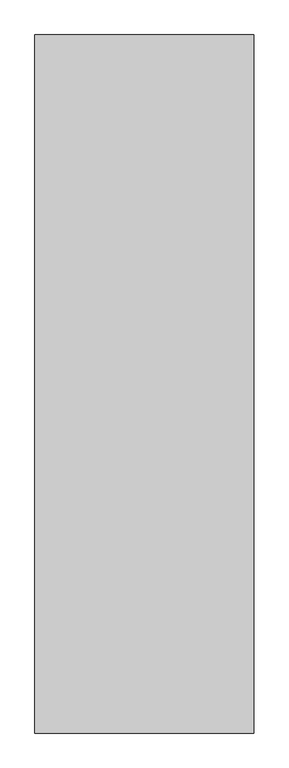
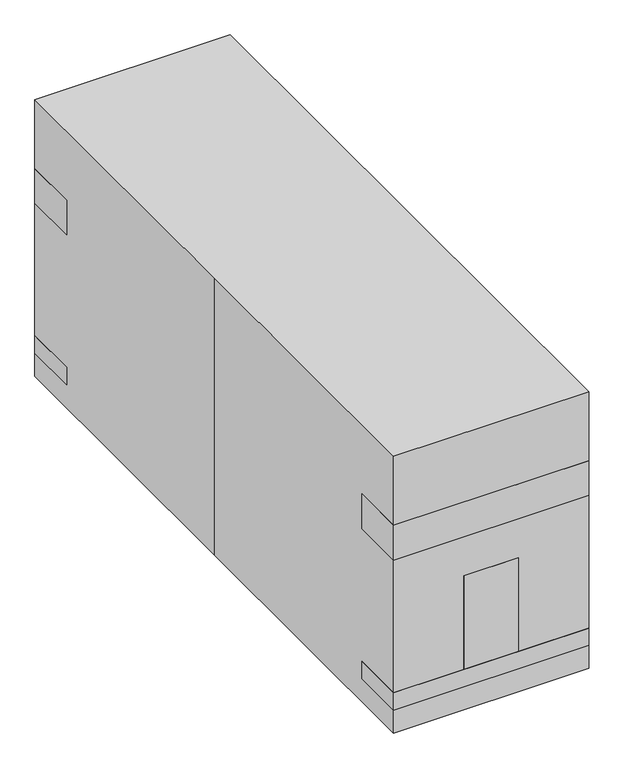
"""IFC4 building model written with IfcOpenShell, lengths in millimetres: proxy geometry."""

from ifc_helpers import new_model, si_unit, point, frame, frame_2d, origin, origin_with_axes, place, context, project, spatial, polyline, circle_curve, trimmed, segment, composite_curve, outline, extrude, source, transform, mapped, element, save


def specialty_equipment_41918cd6(model_context):
    return source(origin(), model_context, "Body", "SweptSolid", [
        extrude(outline(composite_curve([segment(trimmed(circle_curve(frame_2d((-1181.1, 50.8)), 12.7), [point((-1168.4, 50.8))], [point((-1193.8, 50.8))], False, "CARTESIAN"), True, "CONTINUOUS"), segment(trimmed(circle_curve(frame_2d((-1181.1, 50.8)), 12.7), [point((-1193.8, 50.8))], [point((-1168.4, 50.8))], False, "CARTESIAN"), True, "CONTINUOUS")], self_intersect=False)), frame((330.2, 0.0, 0.0), z_axis=(1.0, 0.0, 0.0), x_axis=(0.0, 1.0, 0.0)), (0.0, 0.0, 1.0), 50.8),
        extrude(outline(composite_curve([segment(trimmed(circle_curve(frame_2d((-1181.1, 50.8)), 50.8), [point((-1130.3, 50.8))], [point((-1231.9, 50.8))], False, "CARTESIAN"), True, "CONTINUOUS"), segment(trimmed(circle_curve(frame_2d((-1181.1, 50.8)), 50.8), [point((-1231.9, 50.8))], [point((-1130.3, 50.8))], False, "CARTESIAN"), True, "CONTINUOUS")], self_intersect=False)), frame((342.9, 0.0, 0.0), z_axis=(1.0, 0.0, 0.0), x_axis=(0.0, 1.0, 0.0)), (0.0, 0.0, 1.0), 25.4),
        extrude(outline(polyline([(65.7185546, 381.0), (101.6, 381.0), (101.6, 330.2), (65.7185546, 330.2), (65.7185546, 342.9), (99.6725504, 342.9), (99.6725504, 368.3), (65.7185546, 368.3), (65.7185546, 381.0)])), frame((0.0, -1199.0684951, 0.0), z_axis=(0.0, 1.0, 0.0), x_axis=(0.0, 0.0, 1.0)), (0.0, 0.0, 1.0), 35.6761741),
        extrude(outline(composite_curve([segment(trimmed(circle_curve(frame_2d((-1181.1, 50.8)), 12.7), [point((-1168.4, 50.8))], [point((-1193.8, 50.8))], False, "CARTESIAN"), True, "CONTINUOUS"), segment(trimmed(circle_curve(frame_2d((-1181.1, 50.8)), 12.7), [point((-1193.8, 50.8))], [point((-1168.4, 50.8))], False, "CARTESIAN"), True, "CONTINUOUS")], self_intersect=False)), frame((-381.0, 0.0, 0.0), z_axis=(1.0, 0.0, 0.0), x_axis=(0.0, 1.0, 0.0)), (0.0, 0.0, 1.0), 50.8),
        extrude(outline(composite_curve([segment(trimmed(circle_curve(frame_2d((-1181.1, 50.8)), 50.8), [point((-1130.3, 50.8))], [point((-1231.9, 50.8))], False, "CARTESIAN"), True, "CONTINUOUS"), segment(trimmed(circle_curve(frame_2d((-1181.1, 50.8)), 50.8), [point((-1231.9, 50.8))], [point((-1130.3, 50.8))], False, "CARTESIAN"), True, "CONTINUOUS")], self_intersect=False)), frame((-368.3, 0.0, 0.0), z_axis=(1.0, 0.0, 0.0), x_axis=(0.0, 1.0, 0.0)), (0.0, 0.0, 1.0), 25.4),
        extrude(outline(polyline([(65.7185546, -381.0), (65.7185546, -368.3), (99.6725504, -368.3), (99.6725504, -342.9), (65.7185546, -342.9), (65.7185546, -330.2), (101.6, -330.2), (101.6, -381.0), (65.7185546, -381.0)])), frame((0.0, -1199.0684951, 0.0), z_axis=(0.0, 1.0, 0.0), x_axis=(0.0, 0.0, 1.0)), (0.0, 0.0, 1.0), 35.6761741),
        extrude(outline(polyline([(406.4, -1066.8), (406.4, -1295.4), (-406.4, -1295.4), (-406.4, -1066.8), (406.4, -1066.8)])), frame((0.0, 0.0, 101.6), z_axis=(0.0, 0.0, 1.0), x_axis=(1.0, 0.0, 0.0)), (0.0, 0.0, 1.0), 76.2),
        extrude(outline(polyline([(88.9, -1270.0), (-88.9, -1270.0), (-88.9, -1092.2), (88.9, -1092.2), (88.9, -1270.0)])), frame((0.0, 0.0, 589.8431924), z_axis=(0.0, 0.0, 1.0), x_axis=(1.0, 0.0, 0.0)), (0.0, 0.0, 1.0), 95.9568076),
        extrude(outline(polyline([(-114.3, -1295.4), (-114.3, -1066.8), (114.3, -1066.8), (114.3, -1295.4), (-114.3, -1295.4)])), frame((0.0, 0.0, 177.8), z_axis=(0.0, 0.0, 1.0), x_axis=(1.0, 0.0, 0.0)), (0.0, 0.0, 1.0), 412.0431924),
        extrude(outline(polyline([(381.0, -1270.0), (-381.0, -1270.0), (-381.0, -1092.2), (381.0, -1092.2), (381.0, -1270.0)])), frame((0.0, 0.0, 685.8), z_axis=(0.0, 0.0, 1.0), x_axis=(1.0, 0.0, 0.0)), (0.0, 0.0, 1.0), 76.2),
        extrude(outline(polyline([(406.4, -1066.8), (406.4, -1295.4), (-406.4, -1295.4), (-406.4, -1066.8), (406.4, -1066.8)])), frame((0.0, 0.0, 762.0), z_axis=(0.0, 0.0, 1.0), x_axis=(1.0, 0.0, 0.0)), (0.0, 0.0, 1.0), 152.4),
        extrude(outline(composite_curve([segment(trimmed(circle_curve(frame_2d((1181.1, 50.8)), 12.7), [point((1168.4, 50.8))], [point((1193.8, 50.8))], False, "CARTESIAN"), True, "CONTINUOUS"), segment(trimmed(circle_curve(frame_2d((1181.1, 50.8)), 12.7), [point((1193.8, 50.8))], [point((1168.4, 50.8))], False, "CARTESIAN"), True, "CONTINUOUS")], self_intersect=False)), frame((330.2, 0.0, 0.0), z_axis=(1.0, 0.0, 0.0), x_axis=(0.0, 1.0, 0.0)), (0.0, 0.0, 1.0), 50.8),
        extrude(outline(composite_curve([segment(trimmed(circle_curve(frame_2d((1181.1, 50.8)), 50.8), [point((1130.3, 50.8))], [point((1231.9, 50.8))], False, "CARTESIAN"), True, "CONTINUOUS"), segment(trimmed(circle_curve(frame_2d((1181.1, 50.8)), 50.8), [point((1231.9, 50.8))], [point((1130.3, 50.8))], False, "CARTESIAN"), True, "CONTINUOUS")], self_intersect=False)), frame((342.9, 0.0, 0.0), z_axis=(1.0, 0.0, 0.0), x_axis=(0.0, 1.0, 0.0)), (0.0, 0.0, 1.0), 25.4),
        extrude(outline(polyline([(65.7185546, 381.0), (101.6, 381.0), (101.6, 330.2), (65.7185546, 330.2), (65.7185546, 342.9), (99.6725504, 342.9), (99.6725504, 368.3), (65.7185546, 368.3), (65.7185546, 381.0)])), frame((0.0, 1163.392321, 0.0), z_axis=(0.0, 1.0, 0.0), x_axis=(0.0, 0.0, 1.0)), (0.0, 0.0, 1.0), 35.6761741),
        extrude(outline(composite_curve([segment(trimmed(circle_curve(frame_2d((1181.1, 50.8)), 12.7), [point((1168.4, 50.8))], [point((1193.8, 50.8))], False, "CARTESIAN"), True, "CONTINUOUS"), segment(trimmed(circle_curve(frame_2d((1181.1, 50.8)), 12.7), [point((1193.8, 50.8))], [point((1168.4, 50.8))], False, "CARTESIAN"), True, "CONTINUOUS")], self_intersect=False)), frame((-381.0, 0.0, 0.0), z_axis=(1.0, 0.0, 0.0), x_axis=(0.0, 1.0, 0.0)), (0.0, 0.0, 1.0), 50.8),
        extrude(outline(composite_curve([segment(trimmed(circle_curve(frame_2d((1181.1, 50.8)), 50.8), [point((1130.3, 50.8))], [point((1231.9, 50.8))], False, "CARTESIAN"), True, "CONTINUOUS"), segment(trimmed(circle_curve(frame_2d((1181.1, 50.8)), 50.8), [point((1231.9, 50.8))], [point((1130.3, 50.8))], False, "CARTESIAN"), True, "CONTINUOUS")], self_intersect=False)), frame((-368.3, 0.0, 0.0), z_axis=(1.0, 0.0, 0.0), x_axis=(0.0, 1.0, 0.0)), (0.0, 0.0, 1.0), 25.4),
        extrude(outline(polyline([(65.7185546, -381.0), (65.7185546, -368.3), (99.6725504, -368.3), (99.6725504, -342.9), (65.7185546, -342.9), (65.7185546, -330.2), (101.6, -330.2), (101.6, -381.0), (65.7185546, -381.0)])), frame((0.0, 1163.392321, 0.0), z_axis=(0.0, 1.0, 0.0), x_axis=(0.0, 0.0, 1.0)), (0.0, 0.0, 1.0), 35.6761741),
        extrude(outline(polyline([(406.4, 1066.8), (-406.4, 1066.8), (-406.4, 1295.4), (406.4, 1295.4), (406.4, 1066.8)])), frame((0.0, 0.0, 101.6), z_axis=(0.0, 0.0, 1.0), x_axis=(1.0, 0.0, 0.0)), (0.0, 0.0, 1.0), 76.2),
        extrude(outline(polyline([(88.9, 1270.0), (88.9, 1092.2), (-88.9, 1092.2), (-88.9, 1270.0), (88.9, 1270.0)])), frame((0.0, 0.0, 589.8431924), z_axis=(0.0, 0.0, 1.0), x_axis=(1.0, 0.0, 0.0)), (0.0, 0.0, 1.0), 95.9568076),
        extrude(outline(polyline([(-114.3, 1295.4), (114.3, 1295.4), (114.3, 1066.8), (-114.3, 1066.8), (-114.3, 1295.4)])), frame((0.0, 0.0, 177.8), z_axis=(0.0, 0.0, 1.0), x_axis=(1.0, 0.0, 0.0)), (0.0, 0.0, 1.0), 412.0431924),
        extrude(outline(polyline([(381.0, 1270.0), (381.0, 1092.2), (-381.0, 1092.2), (-381.0, 1270.0), (381.0, 1270.0)])), frame((0.0, 0.0, 685.8), z_axis=(0.0, 0.0, 1.0), x_axis=(1.0, 0.0, 0.0)), (0.0, 0.0, 1.0), 76.2),
        extrude(outline(polyline([(139.7, 1066.8), (215.9, 1066.8), (215.9, -1066.8), (139.7, -1066.8), (139.7, 1066.8)])), frame((0.0, 0.0, 762.0), z_axis=(0.0, 0.0, 1.0), x_axis=(1.0, 0.0, 0.0)), (0.0, 0.0, 1.0), 101.6),
        extrude(outline(polyline([(-139.7, 1066.8), (-139.7, -1066.8), (-215.9, -1066.8), (-215.9, 1066.8), (-139.7, 1066.8)])), frame((0.0, 0.0, 762.0), z_axis=(0.0, 0.0, 1.0), x_axis=(1.0, 0.0, 0.0)), (0.0, 0.0, 1.0), 101.6),
        extrude(outline(polyline([(406.4, 1066.8), (-406.4, 1066.8), (-406.4, 1295.4), (406.4, 1295.4), (406.4, 1066.8)])), frame((0.0, 0.0, 762.0), z_axis=(0.0, 0.0, 1.0), x_axis=(1.0, 0.0, 0.0)), (0.0, 0.0, 1.0), 152.4),
        extrude(outline(polyline([(-406.4, 1295.4), (406.4, 1295.4), (406.4, -1295.4), (-406.4, -1295.4), (-406.4, 0.0), (-406.4, 1295.4)])), origin_with_axes(), (0.0, 0.0, 1.0), 1219.2),
    ])


if __name__ == "__main__":
    model = new_model("IFC4")
    model_context = context("Model", 3, world=origin())
    ifc_project = project(units=[si_unit("LENGTHUNIT", "METRE", prefix="MILLI")], contexts=[model_context])
    site = spatial("IfcSite", under=ifc_project)
    building = spatial("IfcBuilding", under=site)
    placement = place(None, origin())
    specialty_equipment_shape = specialty_equipment_41918cd6(model_context)
    element("IfcBuildingElementProxy", 1, Name="Specialty Equipment", at=placement, inside=building, context=model_context, shape_type="MappedRepresentation", body=[
        mapped(specialty_equipment_shape, transform((0.0, 0.0, 0.0), x_axis=(1.0, 0.0, 0.0), y_axis=(0.0, 1.0, 0.0), z_axis=(0.0, 0.0, 1.0))),
    ])
    save(model, "model.ifc")
